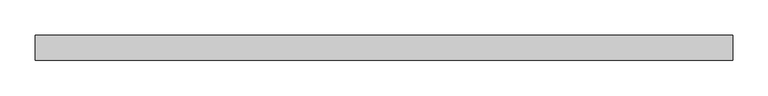
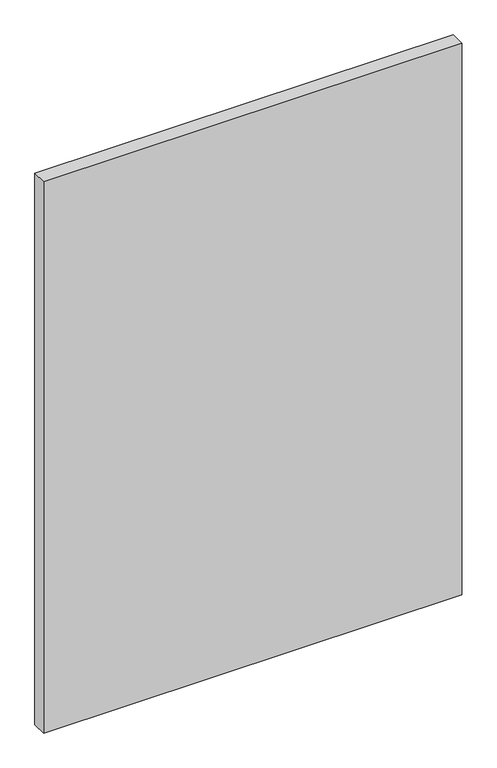
"""IFC4 building model written with IfcOpenShell, lengths in millimetres: plate geometry."""

from ifc_helpers import new_model, si_unit, origin, origin_with_axes, place, context, project, spatial, polyline, outline, extrude, source, transform, mapped, element, save


def plate_0a9eff03(model_context):
    return source(origin(), model_context, "Body", "SweptSolid", [
        extrude(outline(polyline([(491.7544643, -17.5), (-491.7544643, -17.5), (-491.7544643, 17.5), (491.7544643, 17.5), (491.7544643, -17.5)])), origin_with_axes(), (0.0, 0.0, 1.0), 1370.0),
    ])


if __name__ == "__main__":
    model = new_model("IFC4")
    model_context = context("Model", 3, world=origin())
    ifc_project = project(units=[si_unit("LENGTHUNIT", "METRE", prefix="MILLI")], contexts=[model_context])
    site = spatial("IfcSite", under=ifc_project)
    building = spatial("IfcBuilding", under=site)
    placement = place(None, origin())
    plate_shape = plate_0a9eff03(model_context)
    element("IfcPlate", 1, at=placement, inside=building, context=model_context, shape_type="MappedRepresentation", body=[
        mapped(plate_shape, transform((0.0, 0.0, 0.0), x_axis=(1.0, 0.0, 0.0), y_axis=(0.0, 1.0, 0.0), z_axis=(0.0, 0.0, 1.0))),
    ])
    save(model, "model.ifc")
